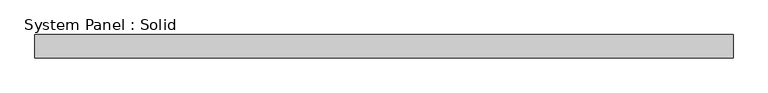
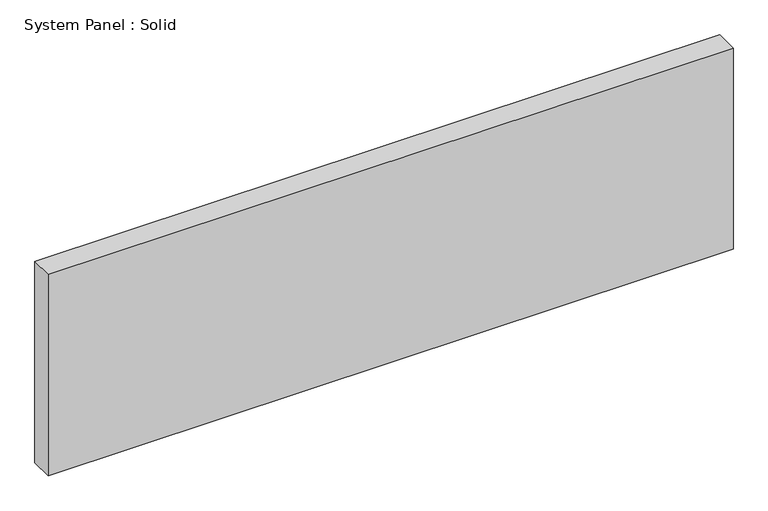
"""IFC4 building model written with IfcOpenShell, lengths in millimetres: plate geometry, System Panel : Solid."""

from ifc_helpers import new_model, si_unit, origin, origin_with_axes, place, context, project, spatial, polyline, outline, extrude, source, transform, mapped, element, save


def system_panel_solid_92a8fc14(model_context):
    return source(origin(), model_context, "Body", "SweptSolid", [
        extrude(outline(polyline([(894.7305791, -10.5), (-894.7305791, -10.5), (-894.7305791, 49.5), (894.7305791, 49.5), (894.7305791, -10.5)])), origin_with_axes(), (0.0, 0.0, 1.0), 556.2568418),
    ])


if __name__ == "__main__":
    model = new_model("IFC4")
    model_context = context("Model", 3, world=origin())
    ifc_project = project(units=[si_unit("LENGTHUNIT", "METRE", prefix="MILLI")], contexts=[model_context])
    site = spatial("IfcSite", under=ifc_project)
    building = spatial("IfcBuilding", under=site)
    placement = place(None, origin())
    system_panel_solid_shape = system_panel_solid_92a8fc14(model_context)
    element("IfcPlate", 1, ObjectType="System Panel : Solid", at=placement, inside=building, context=model_context, shape_type="MappedRepresentation", body=[
        mapped(system_panel_solid_shape, transform((0.0, 0.0, 0.0), x_axis=(1.0, 0.0, 0.0), y_axis=(0.0, 1.0, 0.0), z_axis=(0.0, 0.0, 1.0))),
    ])
    save(model, "model.ifc")
